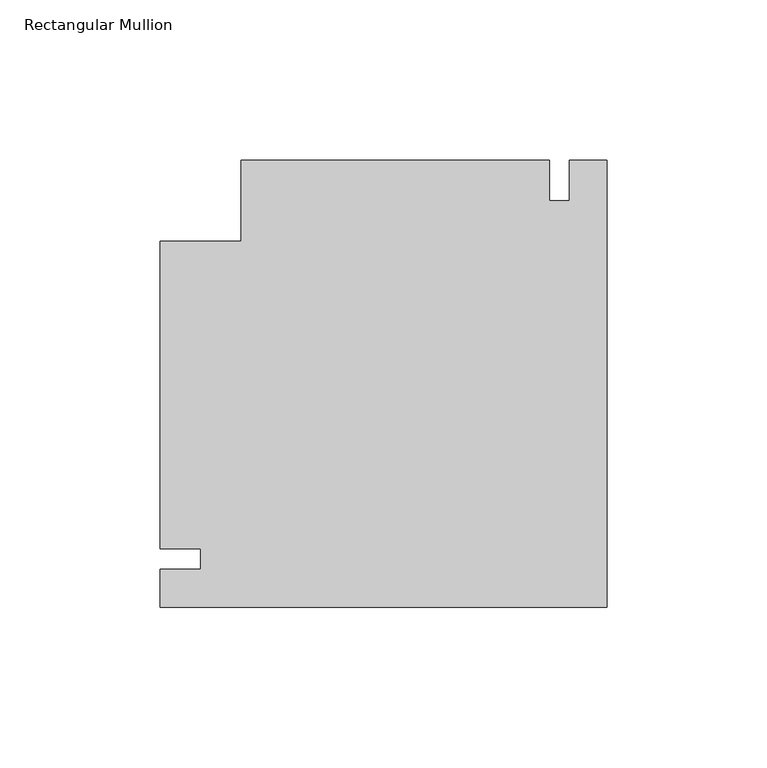
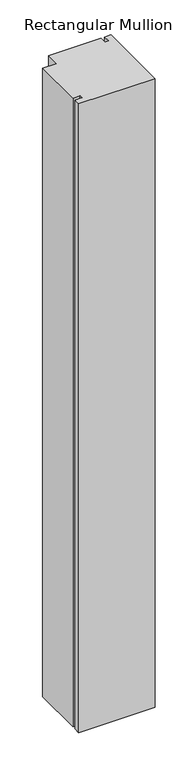
"""IFC4 building model written with IfcOpenShell, lengths in millimetres: member geometry, Rectangular Mullion."""

from ifc_helpers import new_model, si_unit, frame, origin, place, context, project, spatial, polyline, outline, extrude, source, transform, mapped, element, save


def rectangular_mullion_f4d5c1cf(model_context):
    return source(origin(), model_context, "Body", "SweptSolid", [
        extrude(outline(polyline([(-11.6469652, 124.61875), (0.0, 124.61875), (0.0, -15.08125), (-139.7, -15.08125), (-139.7, -3.175), (-126.9982296, -3.175), (-126.9982296, 3.175), (-139.7, 3.175), (-139.7, 99.21875), (-114.3, 99.21875), (-114.3, 124.61875), (-17.9969652, 124.61875), (-17.9969652, 111.91875), (-11.6469652, 111.91875), (-11.6469652, 124.61875)])), frame((0.0, 0.0, -1219.2), z_axis=(0.0, 0.0, 1.0), x_axis=(1.0, 0.0, 0.0)), (0.0, 0.0, 1.0), 1219.2),
    ])


if __name__ == "__main__":
    model = new_model("IFC4")
    model_context = context("Model", 3, world=origin())
    ifc_project = project(units=[si_unit("LENGTHUNIT", "METRE", prefix="MILLI")], contexts=[model_context])
    site = spatial("IfcSite", under=ifc_project)
    building = spatial("IfcBuilding", under=site)
    placement = place(None, origin())
    rectangular_mullion_shape = rectangular_mullion_f4d5c1cf(model_context)
    element("IfcMember", 1, ObjectType="Rectangular Mullion", at=placement, inside=building, context=model_context, shape_type="MappedRepresentation", body=[
        mapped(rectangular_mullion_shape, transform((0.0, 0.0, 0.0), x_axis=(1.0, 0.0, 0.0), y_axis=(0.0, 1.0, 0.0), z_axis=(0.0, 0.0, 1.0))),
    ])
    save(model, "model.ifc")
